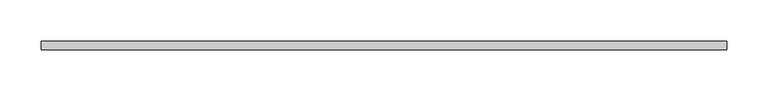
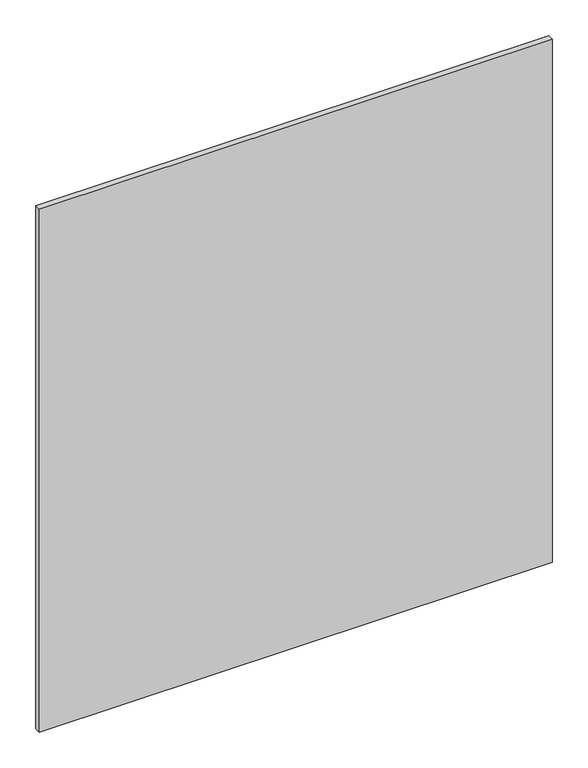
"""IFC4 building model written with IfcOpenShell, lengths in millimetres: plate geometry."""

from ifc_helpers import new_model, si_unit, origin, origin_with_axes, place, context, project, spatial, polyline, outline, extrude, source, transform, mapped, element, save


def plate_396bcf3c(model_context):
    return source(origin(), model_context, "Body", "SweptSolid", [
        extrude(outline(polyline([(415.0, -5.0), (-415.0, -5.0), (-415.0, 5.0), (415.0, 5.0), (415.0, -5.0)])), origin_with_axes(), (0.0, 0.0, 1.0), 895.0),
    ])


if __name__ == "__main__":
    model = new_model("IFC4")
    model_context = context("Model", 3, world=origin())
    ifc_project = project(units=[si_unit("LENGTHUNIT", "METRE", prefix="MILLI")], contexts=[model_context])
    site = spatial("IfcSite", under=ifc_project)
    building = spatial("IfcBuilding", under=site)
    placement = place(None, origin())
    plate_shape = plate_396bcf3c(model_context)
    element("IfcPlate", 1, at=placement, inside=building, context=model_context, shape_type="MappedRepresentation", body=[
        mapped(plate_shape, transform((0.0, 0.0, 0.0), x_axis=(1.0, 0.0, 0.0), y_axis=(0.0, 1.0, 0.0), z_axis=(0.0, 0.0, 1.0))),
    ])
    save(model, "model.ifc")
